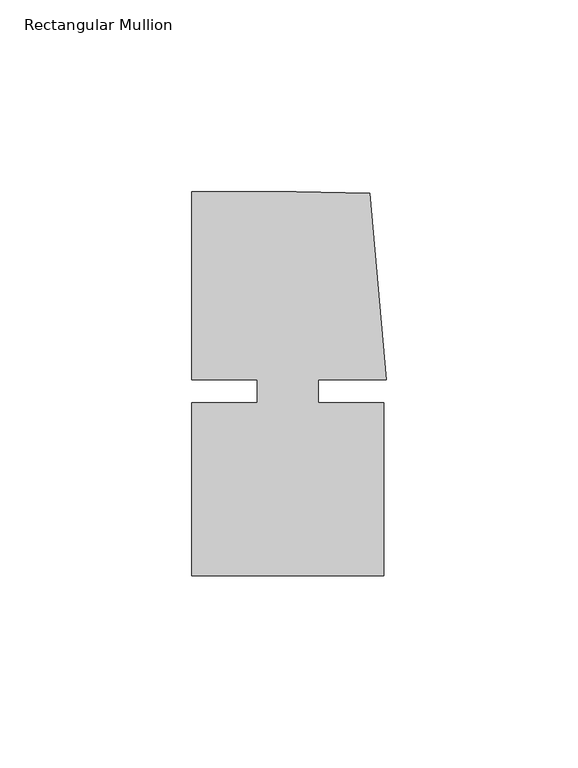
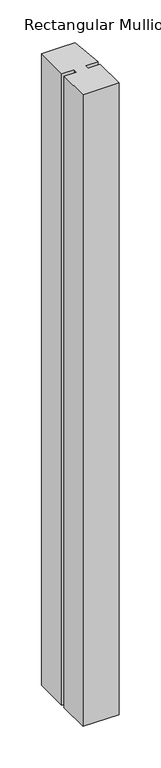
"""IFC4 building model written with IfcOpenShell, lengths in millimetres: member geometry, Rectangular Mullion."""

from ifc_helpers import new_model, si_unit, frame, origin, place, context, project, spatial, polyline, outline, extrude, source, transform, mapped, element, save


def rectangular_mullion_d2be332d(model_context):
    return source(origin(), model_context, "Body", "SweptSolid", [
        extrude(outline(polyline([(8.0004917, -3.0000287), (25.00003, -3.0000271), (25.0000344, -48.0000271), (-24.9999656, -48.000032), (-24.99997, -3.000032), (-8.0004317, -3.0000303), (-8.0004323, 2.999987), (-24.9999706, 2.9999853), (-24.9999754, 51.999968), (2.2554581, 51.9999707), (21.3623265, 51.5846059), (25.6129344, 2.9999903), (8.0004911, 2.9999885), (8.0004917, -3.0000287)])), frame((0.0, 0.0, -927.9988652), z_axis=(0.0, 0.0, 1.0), x_axis=(1.0, 0.0, 0.0)), (0.0, 0.0, 1.0), 927.9988652),
    ])


if __name__ == "__main__":
    model = new_model("IFC4")
    model_context = context("Model", 3, world=origin())
    ifc_project = project(units=[si_unit("LENGTHUNIT", "METRE", prefix="MILLI")], contexts=[model_context])
    site = spatial("IfcSite", under=ifc_project)
    building = spatial("IfcBuilding", under=site)
    placement = place(None, origin())
    rectangular_mullion_shape = rectangular_mullion_d2be332d(model_context)
    element("IfcMember", 1, ObjectType="Rectangular Mullion", at=placement, inside=building, context=model_context, shape_type="MappedRepresentation", body=[
        mapped(rectangular_mullion_shape, transform((0.0, 0.0, 0.0), x_axis=(1.0, 0.0, 0.0), y_axis=(0.0, 1.0, 0.0), z_axis=(0.0, 0.0, 1.0))),
    ])
    save(model, "model.ifc")
